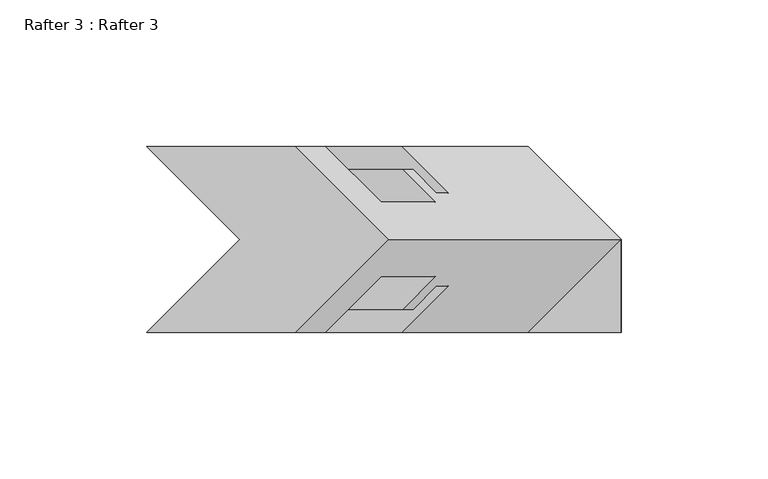
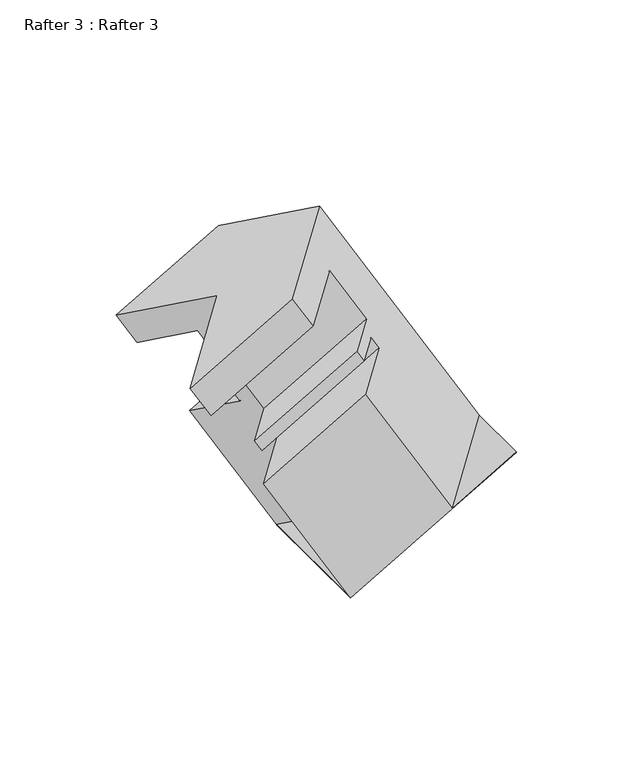
"""IFC4 building model written with IfcOpenShell, lengths in millimetres: proxy geometry, Rafter 3 : Rafter 3."""

from ifc_helpers import new_model, si_unit, origin, place, context, project, spatial, faceted_brep, source, transform, mapped, element, save


def rafter_3_rafter_3_60836382(model_context):
    return source(origin(), model_context, "Body", "Brep", [
        faceted_brep([(-8410.8997624, 8545.4037369, 1887.6597378), (-8410.8997624, 8481.9037369, 1887.6597378), (-8410.999506, 8481.9037369, 1887.8324988), (-8410.999506, 8545.4037369, 1887.8324988), (-8328.4822819, 8481.9037369, 1935.2434924), (-8328.4822819, 8513.6537369, 1935.2434924), (-8328.5820255, 8513.6537369, 1935.4162533), (-8328.5820255, 8481.9037369, 1935.4162533), (-8490.4652624, 8545.4037369, 2025.4712264), (-8458.7152624, 8513.6537369, 2043.8020974), (-8490.4652624, 8481.9037369, 2025.4712264), (-8439.7977819, 8481.9037369, 2054.7241098), (-8408.0477819, 8513.6537369, 2073.0549809), (-8439.7977819, 8545.4037369, 2054.7241098), (-8480.1274624, 8545.4037369, 2007.5656315), (-8429.4599819, 8545.4037369, 2036.818515), (-8461.0774624, 8526.3537369, 2018.5641542), (-8410.4099819, 8526.3537369, 2047.8170376), (-8442.6497624, 8526.3537369, 1986.6464415), (-8391.9822819, 8526.3537369, 2015.899325), (-8453.7749624, 8537.4789369, 1980.2233043), (-8403.1074819, 8537.4789369, 2009.4761878), (-8450.1935624, 8537.4789369, 1974.0201375), (-8399.5260819, 8537.4789369, 2003.273021), (-8442.2433624, 8529.5287369, 1978.6101876), (-8391.5758819, 8529.5287369, 2007.8630711), (-8438.2936624, 8529.5287369, 1971.7691066), (-8387.6261819, 8529.5287369, 2001.02199), (-8454.1686624, 8545.4037369, 1962.603671), (-8403.5011819, 8545.4037369, 1991.8565545), (-8360.2322819, 8545.4037369, 1916.9126213), (-8360.3320255, 8481.9037369, 1917.0853822), (-8403.5011819, 8481.9037369, 1991.8565545), (-8454.1686624, 8481.9037369, 1962.603671), (-8438.2936624, 8497.7787369, 1971.7691066), (-8387.6261819, 8497.7787369, 2001.02199), (-8442.2433624, 8497.7787369, 1978.6101876), (-8391.5758819, 8497.7787369, 2007.8630711), (-8450.1935624, 8489.8285369, 1974.0201375), (-8399.5260819, 8489.8285369, 2003.273021), (-8453.8245718, 8489.8285369, 1980.3092302), (-8403.1570913, 8489.8285369, 2009.5621137), (-8442.6993718, 8500.9537369, 1986.7323675), (-8392.0318913, 8500.9537369, 2015.9852509), (-8461.0774624, 8500.9537369, 2018.5641542), (-8410.4099819, 8500.9537369, 2047.8170376), (-8480.1465124, 8481.9037369, 2007.5986271), (-8429.4790319, 8481.9037369, 2036.8515106), (-8379.249506, 8513.6537369, 1906.1633698)], [[[0, 1, 2, 3]], [[4, 5, 6, 7]], [[8, 9, 10, 11, 12, 13]], [[14, 8, 13, 15]], [[16, 14, 15, 17]], [[18, 16, 17, 19]], [[20, 18, 19, 21]], [[22, 20, 21, 23]], [[24, 22, 23, 25]], [[26, 24, 25, 27]], [[28, 26, 27, 29]], [[0, 3, 28, 29, 30]], [[1, 0, 30, 5, 4]], [[1, 4, 7, 31, 32, 33, 2]], [[34, 33, 32, 35]], [[36, 34, 35, 37]], [[38, 36, 37, 39]], [[40, 38, 39, 41]], [[42, 40, 41, 43]], [[44, 42, 43, 45]], [[46, 44, 45, 47]], [[10, 46, 47, 11]], [[48, 3, 2]], [[3, 48, 9, 8, 14, 16, 18, 20, 22, 24, 26, 28]], [[48, 2, 33, 34, 36, 38, 40, 42, 44, 46, 10, 9]], [[13, 12, 6, 5, 30, 29, 27, 25, 23, 21, 19, 17, 15]], [[6, 31, 7]], [[31, 6, 12, 11, 47, 45, 43, 41, 39, 37, 35, 32]]]),
    ])


if __name__ == "__main__":
    model = new_model("IFC4")
    model_context = context("Model", 3, world=origin())
    ifc_project = project(units=[si_unit("LENGTHUNIT", "METRE", prefix="MILLI")], contexts=[model_context])
    site = spatial("IfcSite", under=ifc_project)
    building = spatial("IfcBuilding", under=site)
    placement = place(None, origin())
    rafter_3_rafter_3_shape = rafter_3_rafter_3_60836382(model_context)
    element("IfcBuildingElementProxy", 1, Name="Rafter 3 : Rafter 3", ObjectType="Rafter 3 : Rafter 3", at=placement, inside=building, context=model_context, shape_type="MappedRepresentation", body=[
        mapped(rafter_3_rafter_3_shape, transform((0.0, 0.0, 0.0), x_axis=(1.0, 0.0, 0.0), y_axis=(0.0, 1.0, 0.0), z_axis=(0.0, 0.0, 1.0))),
    ])
    save(model, "model.ifc")
